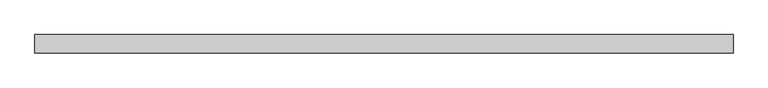
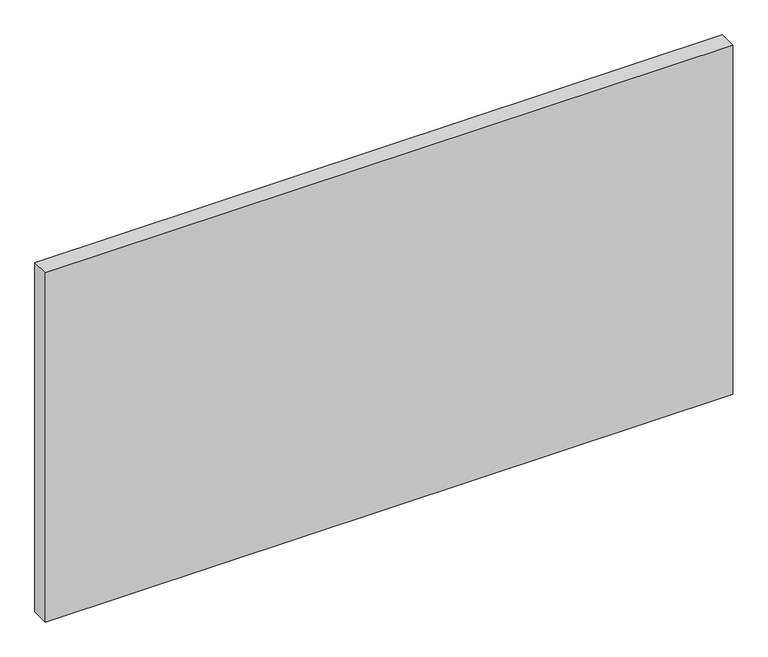
"""IFC4 building model written with IfcOpenShell, lengths in millimetres: plate geometry."""

from ifc_helpers import new_model, si_unit, origin, origin_with_axes, place, context, project, spatial, polyline, outline, extrude, source, transform, mapped, element, save


def plate_389da813(model_context):
    return source(origin(), model_context, "Body", "SweptSolid", [
        extrude(outline(polyline([(670.9320652, -17.5), (-670.9320652, -17.5), (-670.9320652, 17.5), (670.9320652, 17.5), (670.9320652, -17.5)])), origin_with_axes(), (0.0, 0.0, 1.0), 720.0),
    ])


if __name__ == "__main__":
    model = new_model("IFC4")
    model_context = context("Model", 3, world=origin())
    ifc_project = project(units=[si_unit("LENGTHUNIT", "METRE", prefix="MILLI")], contexts=[model_context])
    site = spatial("IfcSite", under=ifc_project)
    building = spatial("IfcBuilding", under=site)
    placement = place(None, origin())
    plate_shape = plate_389da813(model_context)
    element("IfcPlate", 1, at=placement, inside=building, context=model_context, shape_type="MappedRepresentation", body=[
        mapped(plate_shape, transform((0.0, 0.0, 0.0), x_axis=(1.0, 0.0, 0.0), y_axis=(0.0, 1.0, 0.0), z_axis=(0.0, 0.0, 1.0))),
    ])
    save(model, "model.ifc")
